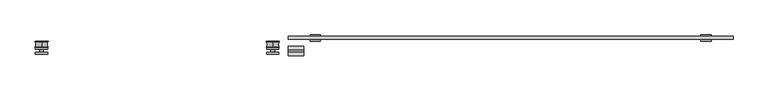
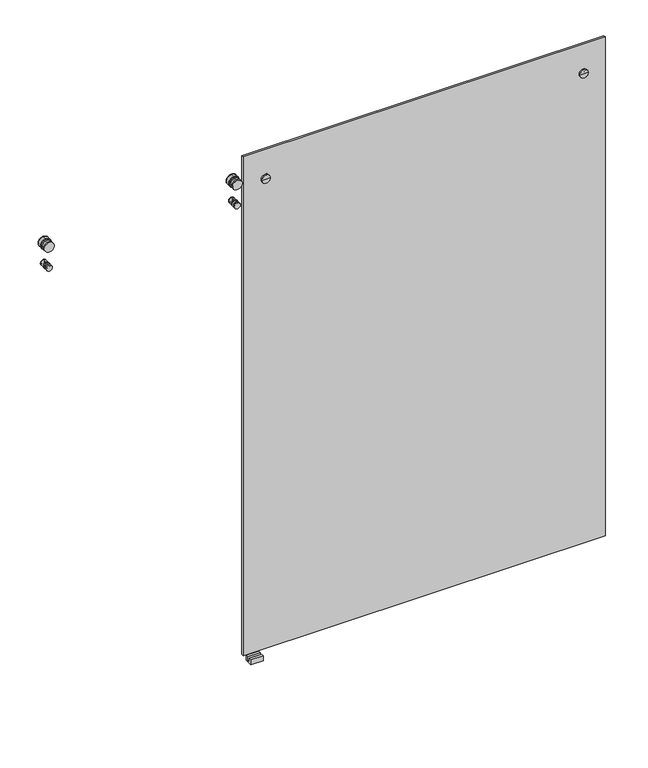
"""IFC4 building model written with IfcOpenShell, lengths in millimetres: proxy geometry."""

from ifc_helpers import new_model, si_unit, point, frame, frame_2d, origin, place, context, project, spatial, polyline, circle_curve, ellipse_curve, trimmed, segment, composite_curve, outline, extrude, source, transform, mapped, element, save
from ifc_brep_helpers import plane_surface, cylinder_surface, revolved_surface, advanced_brep


def specialty_equipment_89bef013(model_context):
    return source(origin(), model_context, "Body", "SolidModel", [
        extrude(outline(polyline([(-19.271, 0.0), (-19.271, 21.2725), (-8.4125, 21.2725), (-8.4125, 4.2672), (1.1125, 4.2672), (1.1125, 21.2725), (11.971, 21.2725), (11.971, 0.0), (-19.271, 0.0)])), frame((-274.6600782, 0.0, 0.0), z_axis=(1.0, 0.0, 0.0), x_axis=(0.0, 1.0, 0.0)), (0.0, 0.0, 1.0), 50.8225782),
        advanced_brep(
        [(-168.5925, 27.78125, 2011.5609375), (-185.7375, 27.78125, 2011.5609375), (-202.8825, 27.78125, 2011.5609375), (-185.7375, 48.7164062, 2011.5609375), (-168.5925, 48.7164062, 2011.5609375), (-202.8825, 48.7164062, 2011.5609375), (-168.5925, 43.65625, 2011.5609375), (-202.8825, 43.65625, 2011.5609375), (-179.3875, 43.65625, 2011.5609375), (-192.0875, 43.65625, 2011.5609375), (-179.3875, 34.13125, 2011.5609375), (-192.0875, 34.13125, 2011.5609375), (-168.5925, 34.13125, 2011.5609375), (-202.8825, 34.13125, 2011.5609375)],
        [
            (0, 1),
            (1, 2),
            (2, 0, circle_curve(frame((-185.7375, 27.78125, 2011.5609375), z_axis=(0.0, -1.0, 0.0), x_axis=(-1.0, 0.0, 0.0)), 17.145)),
            (0, 2, circle_curve(frame((-185.7375, 27.78125, 2011.5609375), z_axis=(0.0, -1.0, 0.0), x_axis=(-1.0, 0.0, 0.0)), 17.145)),
            (3, 4),
            (4, 5, circle_curve(frame((-185.7375, 48.7164062, 2011.5609375), z_axis=(0.0, 1.0, 0.0), x_axis=(-1.0, 0.0, 0.0)), 17.145)),
            (5, 3),
            (5, 4, circle_curve(frame((-185.7375, 48.7164062, 2011.5609375), z_axis=(0.0, 1.0, 0.0), x_axis=(-1.0, 0.0, 0.0)), 17.145)),
            (4, 6),
            (6, 7, circle_curve(frame((-185.7375, 43.65625, 2011.5609375), z_axis=(0.0, 1.0, 0.0), x_axis=(-1.0, 0.0, 0.0)), 17.145)),
            (7, 5),
            (7, 6, circle_curve(frame((-185.7375, 43.65625, 2011.5609375), z_axis=(0.0, 1.0, 0.0), x_axis=(-1.0, 0.0, 0.0)), 17.145)),
            (6, 8),
            (8, 9, circle_curve(frame((-185.7375, 43.65625, 2011.5609375), z_axis=(0.0, 1.0, 0.0), x_axis=(-1.0, 0.0, 0.0)), 6.35)),
            (9, 7),
            (9, 8, circle_curve(frame((-185.7375, 43.65625, 2011.5609375), z_axis=(0.0, 1.0, 0.0), x_axis=(-1.0, 0.0, 0.0)), 6.35)),
            (8, 10),
            (10, 11, circle_curve(frame((-185.7375, 34.13125, 2011.5609375), z_axis=(0.0, 1.0, 0.0), x_axis=(-1.0, 0.0, 0.0)), 6.35)),
            (11, 9),
            (11, 10, circle_curve(frame((-185.7375, 34.13125, 2011.5609375), z_axis=(0.0, 1.0, 0.0), x_axis=(-1.0, 0.0, 0.0)), 6.35)),
            (10, 12),
            (12, 13, circle_curve(frame((-185.7375, 34.13125, 2011.5609375), z_axis=(0.0, 1.0, 0.0), x_axis=(-1.0, 0.0, 0.0)), 17.145)),
            (13, 11),
            (13, 12, circle_curve(frame((-185.7375, 34.13125, 2011.5609375), z_axis=(0.0, 1.0, 0.0), x_axis=(-1.0, 0.0, 0.0)), 17.145)),
            (12, 0),
            (2, 13),
        ],
        [
            plane_surface(frame((-185.7375, 27.78125, 2011.5609375), z_axis=(0.0, -1.0, 0.0), x_axis=(-1.0, 0.0, 0.0))),
            plane_surface(frame((-185.7375, 48.7164062, 2011.5609375), z_axis=(0.0, 1.0, 0.0), x_axis=(-1.0, 0.0, 0.0))),
            cylinder_surface(frame((-185.7375, 27.78125, 2011.5609375), z_axis=(0.0, 1.0, 0.0), x_axis=(-1.0, 0.0, 0.0)), 17.145),
            plane_surface(frame((-185.7375, 43.65625, 2011.5609375), z_axis=(0.0, -1.0, 0.0), x_axis=(-1.0, 0.0, 0.0))),
            cylinder_surface(frame((-185.7375, 27.78125, 2011.5609375), z_axis=(0.0, 1.0, 0.0), x_axis=(-1.0, 0.0, 0.0)), 6.35),
            plane_surface(frame((-185.7375, 34.13125, 2011.5609375), z_axis=(0.0, 1.0, 0.0), x_axis=(-1.0, 0.0, 0.0))),
        ],
        [
            (0, [[1, 2, 3]]),
            (0, [[-2, -1, 4]]),
            (1, [[5, 6, 7]]),
            (1, [[-7, 8, -5]]),
            (2, [[9, 10, 11, -6]]),
            (2, [[-11, 12, -9, -8]]),
            (3, [[13, 14, 15, -10]]),
            (3, [[-15, 16, -13, -12]]),
            (4, [[17, 18, 19, -14]]),
            (4, [[-19, 20, -17, -16]]),
            (5, [[21, 22, 23, -18]]),
            (5, [[-23, 24, -21, -20]]),
            (2, [[25, -3, 26, -22]]),
            (2, [[-26, -4, -25, -24]]),
        ],
    ),
        advanced_brep(
        [(1114.1075, 27.78125, 2011.5609375), (1096.9625, 27.78125, 2011.5609375), (1079.8175, 27.78125, 2011.5609375), (1096.9625, 48.7164062, 2011.5609375), (1114.1075, 48.7164062, 2011.5609375), (1079.8175, 48.7164062, 2011.5609375), (1114.1075, 43.65625, 2011.5609375), (1079.8175, 43.65625, 2011.5609375), (1103.3125, 43.65625, 2011.5609375), (1090.6125, 43.65625, 2011.5609375), (1103.3125, 34.13125, 2011.5609375), (1090.6125, 34.13125, 2011.5609375), (1114.1075, 34.13125, 2011.5609375), (1079.8175, 34.13125, 2011.5609375)],
        [
            (0, 1),
            (1, 2),
            (2, 0, circle_curve(frame((1096.9625, 27.78125, 2011.5609375), z_axis=(0.0, -1.0, 0.0), x_axis=(-1.0, 0.0, 0.0)), 17.145)),
            (0, 2, circle_curve(frame((1096.9625, 27.78125, 2011.5609375), z_axis=(0.0, -1.0, 0.0), x_axis=(-1.0, 0.0, 0.0)), 17.145)),
            (3, 4),
            (4, 5, circle_curve(frame((1096.9625, 48.7164062, 2011.5609375), z_axis=(0.0, 1.0, 0.0), x_axis=(-1.0, 0.0, 0.0)), 17.145)),
            (5, 3),
            (5, 4, circle_curve(frame((1096.9625, 48.7164062, 2011.5609375), z_axis=(0.0, 1.0, 0.0), x_axis=(-1.0, 0.0, 0.0)), 17.145)),
            (4, 6),
            (6, 7, circle_curve(frame((1096.9625, 43.65625, 2011.5609375), z_axis=(0.0, 1.0, 0.0), x_axis=(-1.0, 0.0, 0.0)), 17.145)),
            (7, 5),
            (7, 6, circle_curve(frame((1096.9625, 43.65625, 2011.5609375), z_axis=(0.0, 1.0, 0.0), x_axis=(-1.0, 0.0, 0.0)), 17.145)),
            (6, 8),
            (8, 9, circle_curve(frame((1096.9625, 43.65625, 2011.5609375), z_axis=(0.0, 1.0, 0.0), x_axis=(-1.0, 0.0, 0.0)), 6.35)),
            (9, 7),
            (9, 8, circle_curve(frame((1096.9625, 43.65625, 2011.5609375), z_axis=(0.0, 1.0, 0.0), x_axis=(-1.0, 0.0, 0.0)), 6.35)),
            (8, 10),
            (10, 11, circle_curve(frame((1096.9625, 34.13125, 2011.5609375), z_axis=(0.0, 1.0, 0.0), x_axis=(-1.0, 0.0, 0.0)), 6.35)),
            (11, 9),
            (11, 10, circle_curve(frame((1096.9625, 34.13125, 2011.5609375), z_axis=(0.0, 1.0, 0.0), x_axis=(-1.0, 0.0, 0.0)), 6.35)),
            (10, 12),
            (12, 13, circle_curve(frame((1096.9625, 34.13125, 2011.5609375), z_axis=(0.0, 1.0, 0.0), x_axis=(-1.0, 0.0, 0.0)), 17.145)),
            (13, 11),
            (13, 12, circle_curve(frame((1096.9625, 34.13125, 2011.5609375), z_axis=(0.0, 1.0, 0.0), x_axis=(-1.0, 0.0, 0.0)), 17.145)),
            (12, 0),
            (2, 13),
        ],
        [
            plane_surface(frame((1096.9625, 27.78125, 2011.5609375), z_axis=(0.0, -1.0, 0.0), x_axis=(-1.0, 0.0, 0.0))),
            plane_surface(frame((1096.9625, 48.7164062, 2011.5609375), z_axis=(0.0, 1.0, 0.0), x_axis=(-1.0, 0.0, 0.0))),
            cylinder_surface(frame((1096.9625, 27.78125, 2011.5609375), z_axis=(0.0, 1.0, 0.0), x_axis=(-1.0, 0.0, 0.0)), 17.145),
            plane_surface(frame((1096.9625, 43.65625, 2011.5609375), z_axis=(0.0, -1.0, 0.0), x_axis=(-1.0, 0.0, 0.0))),
            cylinder_surface(frame((1096.9625, 27.78125, 2011.5609375), z_axis=(0.0, 1.0, 0.0), x_axis=(-1.0, 0.0, 0.0)), 6.35),
            plane_surface(frame((1096.9625, 34.13125, 2011.5609375), z_axis=(0.0, 1.0, 0.0), x_axis=(-1.0, 0.0, 0.0))),
        ],
        [
            (0, [[1, 2, 3]]),
            (0, [[-2, -1, 4]]),
            (1, [[5, 6, 7]]),
            (1, [[-7, 8, -5]]),
            (2, [[9, 10, 11, -6]]),
            (2, [[-11, 12, -9, -8]]),
            (3, [[13, 14, 15, -10]]),
            (3, [[-15, 16, -13, -12]]),
            (4, [[17, 18, 19, -14]]),
            (4, [[-19, 20, -17, -16]]),
            (5, [[21, 22, 23, -18]]),
            (5, [[-23, 24, -21, -20]]),
            (2, [[25, -3, 26, -22]]),
            (2, [[-26, -4, -25, -24]]),
        ],
    ),
        extrude(outline(polyline([(-274.6375, 43.65625), (1185.8625, 43.65625), (1185.8625, 34.13125), (-274.6375, 34.13125), (-274.6375, 43.65625)])), frame((0.0, 0.0, 6.35), z_axis=(0.0, 0.0, 1.0), x_axis=(1.0, 0.0, 0.0)), (0.0, 0.0, 1.0), 2127.25),
        advanced_brep(
        [(-1084.2625, 27.3366188, 1975.7082127), (-1084.2625, 27.3366188, 1973.4609375), (-1084.2625, 27.3366188, 1970.2859375), (-1084.2625, 27.3366188, 1968.0386623), (-1084.2625, 25.939082, 1984.1389114), (-1084.2625, 27.2993484, 1983.3089145), (-1084.2625, 27.2993484, 1960.4379605), (-1084.2625, 25.939082, 1959.6079636), (-1084.2625, 8.5711808, 1984.2064616), (-1084.2625, 8.5711808, 1959.5404134), (-1084.2625, 7.4625, 1973.4609375), (-1084.2625, 7.4625, 1984.2064616), (-1084.2625, 7.4625, 1959.5404134), (-1084.2625, 7.4625, 1970.2859375), (-1084.2625, 26.2619471, 1975.7082127), (-1084.2625, 26.2619471, 1968.0386623), (-1084.2625, 26.2619471, 1978.8596289), (-1084.2625, 26.2619471, 1964.8872461), (-1084.2625, 27.2993484, 1978.8596289), (-1084.2625, 27.2993484, 1964.8872461)],
        [
            (0, 1),
            (1, 2, circle_curve(frame((-1084.2625, 27.3366188, 1971.8734375), z_axis=(0.0, -1.0, 0.0), x_axis=(0.0, 0.0, -1.0)), 1.5875)),
            (2, 3),
            (3, 0, circle_curve(frame((-1084.2625, 27.3366188, 1971.8734375), z_axis=(0.0, 1.0, 0.0), x_axis=(0.0, 0.0, -1.0)), 3.8347752)),
            (2, 1, circle_curve(frame((-1084.2625, 27.3366188, 1971.8734375), z_axis=(0.0, -1.0, 0.0), x_axis=(0.0, 0.0, -1.0)), 1.5875)),
            (0, 3, circle_curve(frame((-1084.2625, 27.3366188, 1971.8734375), z_axis=(0.0, 1.0, 0.0), x_axis=(0.0, 0.0, -1.0)), 3.8347752)),
            (4, 5, circle_curve(frame((-1084.2625, 26.3659946, 1983.3089145), z_axis=(-1.0, 0.0, 0.0), x_axis=(0.0, -1.0, 0.0)), 0.9333538)),
            (5, 6, circle_curve(frame((-1084.2625, 27.2993484, 1971.8734375), z_axis=(0.0, -1.0, 0.0), x_axis=(0.0, 0.0, -1.0)), 11.435477)),
            (6, 7, circle_curve(frame((-1084.2625, 26.3659946, 1960.4379605), z_axis=(-1.0, 0.0, 0.0), x_axis=(0.0, -1.0, 0.0)), 0.9333538)),
            (7, 4, circle_curve(frame((-1084.2625, 25.939082, 1971.8734375), z_axis=(0.0, 1.0, 0.0), x_axis=(0.0, 0.0, -1.0)), 12.2654739)),
            (6, 5, circle_curve(frame((-1084.2625, 27.2993484, 1971.8734375), z_axis=(0.0, -1.0, 0.0), x_axis=(0.0, 0.0, -1.0)), 11.435477)),
            (4, 7, circle_curve(frame((-1084.2625, 25.939082, 1971.8734375), z_axis=(0.0, 1.0, 0.0), x_axis=(0.0, 0.0, -1.0)), 12.2654739)),
            (8, 4, circle_curve(frame((-1084.2625, 17.3563851, 2010.2061107), z_axis=(1.0, 0.0, 0.0), x_axis=(0.0, -1.0, 0.0)), 27.4437892)),
            (7, 9, circle_curve(frame((-1084.2625, 17.3563851, 1933.5407643), z_axis=(1.0, 0.0, 0.0), x_axis=(0.0, -1.0, 0.0)), 27.4437892)),
            (9, 8, circle_curve(frame((-1084.2625, 8.5711808, 1971.8734375), z_axis=(0.0, 1.0, 0.0), x_axis=(0.0, 0.0, -1.0)), 12.3330241)),
            (8, 9, circle_curve(frame((-1084.2625, 8.5711808, 1971.8734375), z_axis=(0.0, 1.0, 0.0), x_axis=(0.0, 0.0, -1.0)), 12.3330241)),
            (10, 11),
            (11, 12, circle_curve(frame((-1084.2625, 7.4625, 1971.8734375), z_axis=(0.0, -1.0, 0.0), x_axis=(0.0, 0.0, -1.0)), 12.3330241)),
            (12, 13),
            (13, 10, circle_curve(frame((-1084.2625, 7.4625, 1971.8734375), z_axis=(0.0, 1.0, 0.0), x_axis=(0.0, 0.0, -1.0)), 1.5875)),
            (12, 11, circle_curve(frame((-1084.2625, 7.4625, 1971.8734375), z_axis=(0.0, -1.0, 0.0), x_axis=(0.0, 0.0, -1.0)), 12.3330241)),
            (10, 13, circle_curve(frame((-1084.2625, 7.4625, 1971.8734375), z_axis=(0.0, 1.0, 0.0), x_axis=(0.0, 0.0, -1.0)), 1.5875)),
            (1, 10),
            (13, 2),
            (14, 0),
            (3, 15),
            (15, 14, circle_curve(frame((-1084.2625, 26.2619471, 1971.8734375), z_axis=(0.0, 1.0, 0.0), x_axis=(0.0, 0.0, -1.0)), 3.8347752)),
            (14, 15, circle_curve(frame((-1084.2625, 26.2619471, 1971.8734375), z_axis=(0.0, 1.0, 0.0), x_axis=(0.0, 0.0, -1.0)), 3.8347752)),
            (16, 14),
            (15, 17),
            (17, 16, circle_curve(frame((-1084.2625, 26.2619471, 1971.8734375), z_axis=(0.0, 1.0, 0.0), x_axis=(0.0, 0.0, -1.0)), 6.9861914)),
            (16, 17, circle_curve(frame((-1084.2625, 26.2619471, 1971.8734375), z_axis=(0.0, 1.0, 0.0), x_axis=(0.0, 0.0, -1.0)), 6.9861914)),
            (18, 16),
            (17, 19),
            (19, 18, circle_curve(frame((-1084.2625, 27.2993484, 1971.8734375), z_axis=(0.0, 1.0, 0.0), x_axis=(0.0, 0.0, -1.0)), 6.9861914)),
            (18, 19, circle_curve(frame((-1084.2625, 27.2993484, 1971.8734375), z_axis=(0.0, 1.0, 0.0), x_axis=(0.0, 0.0, -1.0)), 6.9861914)),
            (5, 18),
            (19, 6),
            (11, 8),
            (9, 12),
        ],
        [
            plane_surface(frame((-1084.2625, 27.3366188, 1971.8734375), z_axis=(0.0, 1.0, 0.0), x_axis=(0.0, 0.0, -1.0))),
            revolved_surface(trimmed(ellipse_curve(frame((-1084.2625, 26.3659946, 1960.4379605), z_axis=(-1.0, 0.0, 0.0), x_axis=(0.0, -1.0, 0.0)), 0.9333538, 0.9333538), [point((-1084.2625, 27.2993484, 1960.4379605))], [point((-1084.2625, 25.939082, 1959.6079636))], True, "CARTESIAN"), (-1084.2625, 48.4599359, 1971.8734375), (0.0, -1.0, 0.0)),
            revolved_surface(trimmed(ellipse_curve(frame((-1084.2625, 17.3563851, 1933.5407643), z_axis=(1.0, 0.0, 0.0), x_axis=(0.0, -1.0, 0.0)), 27.4437892, 27.4437892), [point((-1084.2625, 25.939082, 1959.6079636))], [point((-1084.2625, 8.5711808, 1959.5404134))], True, "CARTESIAN"), (-1084.2625, 48.4599359, 1971.8734375), (0.0, -1.0, 0.0)),
            plane_surface(frame((-1084.2625, 7.4625, 1971.8734375), z_axis=(0.0, -1.0, 0.0), x_axis=(0.0, 0.0, -1.0))),
            revolved_surface(polyline([(-1084.2625, 7.462499999999999, 1970.2859374999998), (-1084.2625, 27.3366188, 1970.2859374999998)]), (-1084.2625, 48.4599359, 1971.8734375), (0.0, -1.0, 0.0)),
            cylinder_surface(frame((-1084.2625, 48.4599359, 1971.8734375), z_axis=(0.0, -1.0, 0.0), x_axis=(0.0, 0.0, -1.0)), 3.8347752),
            plane_surface(frame((-1084.2625, 26.2619471, 1971.8734375), z_axis=(0.0, 1.0, 0.0), x_axis=(0.0, 0.0, -1.0))),
            revolved_surface(polyline([(-1084.2625, 26.2619471, 1964.8872460999999), (-1084.2625, 27.2993484, 1964.8872460999999)]), (-1084.2625, 48.4599359, 1971.8734375), (0.0, -1.0, 0.0)),
            plane_surface(frame((-1084.2625, 27.2993484, 1971.8734375), z_axis=(0.0, 1.0, 0.0), x_axis=(0.0, 0.0, -1.0))),
            cylinder_surface(frame((-1084.2625, 48.4599359, 1971.8734375), z_axis=(0.0, -1.0, 0.0), x_axis=(0.0, 0.0, -1.0)), 12.3330241),
        ],
        [
            (0, [[1, 2, 3, 4]]),
            (0, [[-3, 5, -1, 6]]),
            (1, [[7, 8, 9, 10]]),
            (1, [[-9, 11, -7, 12]]),
            (2, [[13, -10, 14, 15]]),
            (2, [[-14, -12, -13, 16]]),
            (3, [[17, 18, 19, 20]]),
            (3, [[-19, 21, -17, 22]]),
            (4, [[23, -20, 24, -2]]),
            (4, [[-24, -22, -23, -5]]),
            (5, [[25, -4, 26, 27]]),
            (5, [[-26, -6, -25, 28]]),
            (6, [[29, -27, 30, 31]]),
            (6, [[-30, -28, -29, 32]]),
            (7, [[33, -31, 34, 35]]),
            (7, [[-34, -32, -33, 36]]),
            (8, [[37, -35, 38, -8]]),
            (8, [[-38, -36, -37, -11]]),
            (9, [[39, -15, 40, -18]]),
            (9, [[-40, -16, -39, -21]]),
        ],
    ),
        advanced_brep(
        [(-1084.2625, 10.9715855, 2074.7365624), (-1084.2625, 7.4625, 2074.7365624), (-1084.2625, 7.4625, 2046.8103126), (-1084.2625, 10.9715855, 2046.8103126), (-1084.2625, 10.9715855, 2067.0068419), (-1084.2625, 10.9715855, 2054.5400331), (-1084.2625, 7.4625, 2067.0068419), (-1084.2625, 7.4625, 2054.5400331), (-1084.2625, 7.4625, 2062.3609375), (-1084.2625, 7.4625, 2059.1859375), (-1084.2625, 27.4625, 2067.0068419), (-1084.2625, 27.4625, 2062.3609375), (-1084.2625, 27.4625, 2059.1859375), (-1084.2625, 27.4625, 2054.5400331), (-1084.2625, 26.2619471, 2067.0068419), (-1084.2625, 26.2619471, 2054.5400331), (-1084.2625, 26.2619471, 2074.7365624), (-1084.2625, 26.2619471, 2046.8103126), (-1084.2625, 27.4625, 2074.7365624), (-1084.2625, 27.4625, 2046.8103126), (-1084.2625, 27.4625, 2081.7122212), (-1084.2625, 27.4625, 2039.8346538), (-1084.2625, 26.0771589, 2082.6587111), (-1084.2625, 26.0771589, 2038.8881639), (-1084.2625, 8.8478411, 2082.6587111), (-1084.2625, 8.8478411, 2038.8881639), (-1084.2625, 7.4625, 2081.7122212), (-1084.2625, 7.4625, 2039.8346538)],
        [
            (0, 1),
            (1, 2, circle_curve(frame((-1084.2625, 7.4625, 2060.7734375), z_axis=(0.0, -1.0, 0.0), x_axis=(0.0, 0.0, -1.0)), 13.9631249)),
            (2, 3),
            (3, 0, circle_curve(frame((-1084.2625, 10.9715855, 2060.7734375), z_axis=(0.0, 1.0, 0.0), x_axis=(0.0, 0.0, -1.0)), 13.9631249)),
            (2, 1, circle_curve(frame((-1084.2625, 7.4625, 2060.7734375), z_axis=(0.0, -1.0, 0.0), x_axis=(0.0, 0.0, -1.0)), 13.9631249)),
            (0, 3, circle_curve(frame((-1084.2625, 10.9715855, 2060.7734375), z_axis=(0.0, 1.0, 0.0), x_axis=(0.0, 0.0, -1.0)), 13.9631249)),
            (4, 0),
            (3, 5),
            (5, 4, circle_curve(frame((-1084.2625, 10.9715855, 2060.7734375), z_axis=(0.0, 1.0, 0.0), x_axis=(0.0, 0.0, -1.0)), 6.2334044)),
            (4, 5, circle_curve(frame((-1084.2625, 10.9715855, 2060.7734375), z_axis=(0.0, 1.0, 0.0), x_axis=(0.0, 0.0, -1.0)), 6.2334044)),
            (6, 4),
            (5, 7),
            (7, 6, circle_curve(frame((-1084.2625, 7.4625, 2060.7734375), z_axis=(0.0, 1.0, 0.0), x_axis=(0.0, 0.0, -1.0)), 6.2334044)),
            (6, 7, circle_curve(frame((-1084.2625, 7.4625, 2060.7734375), z_axis=(0.0, 1.0, 0.0), x_axis=(0.0, 0.0, -1.0)), 6.2334044)),
            (8, 6),
            (7, 9),
            (9, 8, circle_curve(frame((-1084.2625, 7.4625, 2060.7734375), z_axis=(0.0, 1.0, 0.0), x_axis=(0.0, 0.0, -1.0)), 1.5875)),
            (8, 9, circle_curve(frame((-1084.2625, 7.4625, 2060.7734375), z_axis=(0.0, 1.0, 0.0), x_axis=(0.0, 0.0, -1.0)), 1.5875)),
            (10, 11),
            (11, 12, circle_curve(frame((-1084.2625, 27.4625, 2060.7734375), z_axis=(0.0, -1.0, 0.0), x_axis=(0.0, 0.0, -1.0)), 1.5875)),
            (12, 13),
            (13, 10, circle_curve(frame((-1084.2625, 27.4625, 2060.7734375), z_axis=(0.0, 1.0, 0.0), x_axis=(0.0, 0.0, -1.0)), 6.2334044)),
            (12, 11, circle_curve(frame((-1084.2625, 27.4625, 2060.7734375), z_axis=(0.0, -1.0, 0.0), x_axis=(0.0, 0.0, -1.0)), 1.5875)),
            (10, 13, circle_curve(frame((-1084.2625, 27.4625, 2060.7734375), z_axis=(0.0, 1.0, 0.0), x_axis=(0.0, 0.0, -1.0)), 6.2334044)),
            (14, 10),
            (13, 15),
            (15, 14, circle_curve(frame((-1084.2625, 26.2619471, 2060.7734375), z_axis=(0.0, 1.0, 0.0), x_axis=(0.0, 0.0, -1.0)), 6.2334044)),
            (14, 15, circle_curve(frame((-1084.2625, 26.2619471, 2060.7734375), z_axis=(0.0, 1.0, 0.0), x_axis=(0.0, 0.0, -1.0)), 6.2334044)),
            (16, 14),
            (15, 17),
            (17, 16, circle_curve(frame((-1084.2625, 26.2619471, 2060.7734375), z_axis=(0.0, 1.0, 0.0), x_axis=(0.0, 0.0, -1.0)), 13.9631249)),
            (16, 17, circle_curve(frame((-1084.2625, 26.2619471, 2060.7734375), z_axis=(0.0, 1.0, 0.0), x_axis=(0.0, 0.0, -1.0)), 13.9631249)),
            (18, 16),
            (17, 19),
            (19, 18, circle_curve(frame((-1084.2625, 27.4625, 2060.7734375), z_axis=(0.0, 1.0, 0.0), x_axis=(0.0, 0.0, -1.0)), 13.9631249)),
            (18, 19, circle_curve(frame((-1084.2625, 27.4625, 2060.7734375), z_axis=(0.0, 1.0, 0.0), x_axis=(0.0, 0.0, -1.0)), 13.9631249)),
            (20, 18),
            (19, 21),
            (21, 20, circle_curve(frame((-1084.2625, 27.4625, 2060.7734375), z_axis=(0.0, 1.0, 0.0), x_axis=(0.0, 0.0, -1.0)), 20.9387837)),
            (20, 21, circle_curve(frame((-1084.2625, 27.4625, 2060.7734375), z_axis=(0.0, 1.0, 0.0), x_axis=(0.0, 0.0, -1.0)), 20.9387837)),
            (22, 20, circle_curve(frame((-1084.2625, 26.4465, 2081.7122212), z_axis=(-1.0, 0.0, 0.0), x_axis=(0.0, -1.0, 0.0)), 1.016)),
            (21, 23, circle_curve(frame((-1084.2625, 26.4465, 2039.8346538), z_axis=(-1.0, 0.0, 0.0), x_axis=(0.0, -1.0, 0.0)), 1.016)),
            (23, 22, circle_curve(frame((-1084.2625, 26.0771589, 2060.7734375), z_axis=(0.0, 1.0, 0.0), x_axis=(0.0, 0.0, -1.0)), 21.8852736)),
            (22, 23, circle_curve(frame((-1084.2625, 26.0771589, 2060.7734375), z_axis=(0.0, 1.0, 0.0), x_axis=(0.0, 0.0, -1.0)), 21.8852736)),
            (24, 22, circle_curve(frame((-1084.2625, 17.4625, 2092.0160527), z_axis=(1.0, 0.0, 0.0), x_axis=(0.0, -1.0, 0.0)), 12.7189697)),
            (23, 25, circle_curve(frame((-1084.2625, 17.4625, 2029.5308223), z_axis=(1.0, 0.0, 0.0), x_axis=(0.0, -1.0, 0.0)), 12.7189697)),
            (25, 24, circle_curve(frame((-1084.2625, 8.8478411, 2060.7734375), z_axis=(0.0, 1.0, 0.0), x_axis=(0.0, 0.0, -1.0)), 21.8852736)),
            (24, 25, circle_curve(frame((-1084.2625, 8.8478411, 2060.7734375), z_axis=(0.0, 1.0, 0.0), x_axis=(0.0, 0.0, -1.0)), 21.8852736)),
            (26, 24, circle_curve(frame((-1084.2625, 8.4785, 2081.7122212), z_axis=(-1.0, 0.0, 0.0), x_axis=(0.0, -1.0, 0.0)), 1.016)),
            (25, 27, circle_curve(frame((-1084.2625, 8.4785, 2039.8346538), z_axis=(-1.0, 0.0, 0.0), x_axis=(0.0, -1.0, 0.0)), 1.016)),
            (27, 26, circle_curve(frame((-1084.2625, 7.4625, 2060.7734375), z_axis=(0.0, 1.0, 0.0), x_axis=(0.0, 0.0, -1.0)), 20.9387837)),
            (26, 27, circle_curve(frame((-1084.2625, 7.4625, 2060.7734375), z_axis=(0.0, 1.0, 0.0), x_axis=(0.0, 0.0, -1.0)), 20.9387837)),
            (1, 26),
            (27, 2),
            (11, 8),
            (9, 12),
        ],
        [
            revolved_surface(polyline([(-1084.2625, 7.462499999999999, 2046.8103126), (-1084.2625, 10.971585499999996, 2046.8103126)]), (-1084.2625, 45.677517, 2060.7734375), (0.0, -1.0, 0.0)),
            plane_surface(frame((-1084.2625, 10.9715855, 2060.7734375), z_axis=(0.0, -1.0, 0.0), x_axis=(0.0, 0.0, -1.0))),
            cylinder_surface(frame((-1084.2625, 45.677517, 2060.7734375), z_axis=(0.0, -1.0, 0.0), x_axis=(0.0, 0.0, -1.0)), 6.2334044),
            plane_surface(frame((-1084.2625, 7.4625, 2060.7734375), z_axis=(0.0, -1.0, 0.0), x_axis=(0.0, 0.0, -1.0))),
            plane_surface(frame((-1084.2625, 27.4625, 2060.7734375), z_axis=(0.0, 1.0, 0.0), x_axis=(0.0, 0.0, -1.0))),
            plane_surface(frame((-1084.2625, 26.2619471, 2060.7734375), z_axis=(0.0, 1.0, 0.0), x_axis=(0.0, 0.0, -1.0))),
            revolved_surface(polyline([(-1084.2625, 26.2619471, 2046.8103126), (-1084.2625, 27.4625, 2046.8103126)]), (-1084.2625, 45.677517, 2060.7734375), (0.0, -1.0, 0.0)),
            revolved_surface(trimmed(ellipse_curve(frame((-1084.2625, 26.4465, 2039.8346538), z_axis=(-1.0, 0.0, 0.0), x_axis=(0.0, -1.0, 0.0)), 1.016, 1.016), [point((-1084.2625, 27.4625, 2039.8346538))], [point((-1084.2625, 26.0771589, 2038.8881639))], True, "CARTESIAN"), (-1084.2625, 45.677517, 2060.7734375), (0.0, -1.0, 0.0)),
            revolved_surface(trimmed(ellipse_curve(frame((-1084.2625, 17.4625, 2029.5308223), z_axis=(1.0, 0.0, 0.0), x_axis=(0.0, -1.0, 0.0)), 12.7189697, 12.7189697), [point((-1084.2625, 26.0771589, 2038.8881639))], [point((-1084.2625, 8.8478411, 2038.8881639))], True, "CARTESIAN"), (-1084.2625, 45.677517, 2060.7734375), (0.0, -1.0, 0.0)),
            revolved_surface(trimmed(ellipse_curve(frame((-1084.2625, 8.4785, 2039.8346538), z_axis=(-1.0, 0.0, 0.0), x_axis=(0.0, -1.0, 0.0)), 1.016, 1.016), [point((-1084.2625, 8.8478411, 2038.8881639))], [point((-1084.2625, 7.4625, 2039.8346538))], True, "CARTESIAN"), (-1084.2625, 45.677517, 2060.7734375), (0.0, -1.0, 0.0)),
            revolved_surface(polyline([(-1084.2625, 7.462499999999999, 2059.1859375), (-1084.2625, 27.4625, 2059.1859375)]), (-1084.2625, 45.677517, 2060.7734375), (0.0, -1.0, 0.0)),
        ],
        [
            (0, [[1, 2, 3, 4]]),
            (0, [[-3, 5, -1, 6]]),
            (1, [[7, -4, 8, 9]]),
            (1, [[-8, -6, -7, 10]]),
            (2, [[11, -9, 12, 13]]),
            (2, [[-12, -10, -11, 14]]),
            (3, [[15, -13, 16, 17]]),
            (3, [[-16, -14, -15, 18]]),
            (4, [[19, 20, 21, 22]]),
            (4, [[-21, 23, -19, 24]]),
            (2, [[25, -22, 26, 27]]),
            (2, [[-26, -24, -25, 28]]),
            (5, [[29, -27, 30, 31]]),
            (5, [[-30, -28, -29, 32]]),
            (6, [[33, -31, 34, 35]]),
            (6, [[-34, -32, -33, 36]]),
            (4, [[37, -35, 38, 39]]),
            (4, [[-38, -36, -37, 40]]),
            (7, [[41, -39, 42, 43]]),
            (7, [[-42, -40, -41, 44]]),
            (8, [[45, -43, 46, 47]]),
            (8, [[-46, -44, -45, 48]]),
            (9, [[49, -47, 50, 51]]),
            (9, [[-50, -48, -49, 52]]),
            (3, [[53, -51, 54, -2]]),
            (3, [[-54, -52, -53, -5]]),
            (10, [[55, -17, 56, -20]]),
            (10, [[-56, -18, -55, -23]]),
        ],
    ),
        extrude(outline(composite_curve([segment(trimmed(circle_curve(frame_2d((1971.8734375, -1084.2625)), 6.35), [point((1971.8734375, -1090.6125))], [point((1971.8734375, -1077.9125))], False, "CARTESIAN"), True, "CONTINUOUS"), segment(trimmed(circle_curve(frame_2d((1971.8734375, -1084.2625)), 6.35), [point((1971.8734375, -1077.9125))], [point((1971.8734375, -1090.6125))], False, "CARTESIAN"), True, "CONTINUOUS")], self_intersect=False)), frame((0.0, -8.4125, 0.0), z_axis=(0.0, 1.0, 0.0), x_axis=(0.0, 0.0, 1.0)), (0.0, 0.0, 1.0), 9.525),
        extrude(outline(composite_curve([segment(trimmed(circle_curve(frame_2d((2060.7734375, -1084.2625)), 6.35), [point((2060.7734375, -1090.6125))], [point((2060.7734375, -1077.9125))], False, "CARTESIAN"), True, "CONTINUOUS"), segment(trimmed(circle_curve(frame_2d((2060.7734375, -1084.2625)), 6.35), [point((2060.7734375, -1077.9125))], [point((2060.7734375, -1090.6125))], False, "CARTESIAN"), True, "CONTINUOUS")], self_intersect=False)), frame((0.0, -8.4125, 0.0), z_axis=(0.0, 1.0, 0.0), x_axis=(0.0, 0.0, 1.0)), (0.0, 0.0, 1.0), 9.525),
        extrude(outline(composite_curve([segment(trimmed(circle_curve(frame_2d((1971.8734375, -1084.2625)), 12.2900341), [point((1971.8734375, -1096.5525341))], [point((1971.8734375, -1071.9724659))], False, "CARTESIAN"), True, "CONTINUOUS"), segment(trimmed(circle_curve(frame_2d((1971.8734375, -1084.2625)), 12.2900341), [point((1971.8734375, -1071.9724659))], [point((1971.8734375, -1096.5525341))], False, "CARTESIAN"), True, "CONTINUOUS")], self_intersect=False)), frame((0.0, -14.191, 0.0), z_axis=(0.0, 1.0, 0.0), x_axis=(0.0, 0.0, 1.0)), (0.0, 0.0, 1.0), 5.7785),
        extrude(outline(composite_curve([segment(trimmed(circle_curve(frame_2d((2060.7734375, -1084.2625)), 19.939), [point((2060.7734375, -1104.2015))], [point((2060.7734375, -1064.3235))], False, "CARTESIAN"), True, "CONTINUOUS"), segment(trimmed(circle_curve(frame_2d((2060.7734375, -1084.2625)), 19.939), [point((2060.7734375, -1064.3235))], [point((2060.7734375, -1104.2015))], False, "CARTESIAN"), True, "CONTINUOUS")], self_intersect=False)), frame((0.0, -14.175, 0.0), z_axis=(0.0, 1.0, 0.0), x_axis=(0.0, 0.0, 1.0)), (0.0, 0.0, 1.0), 5.7625),
        extrude(outline(composite_curve([segment(trimmed(circle_curve(frame_2d((2060.7734375, -1084.2625)), 19.939), [point((2060.7734375, -1104.2015))], [point((2060.7734375, -1064.3235))], False, "CARTESIAN"), True, "CONTINUOUS"), segment(trimmed(circle_curve(frame_2d((2060.7734375, -1084.2625)), 19.939), [point((2060.7734375, -1064.3235))], [point((2060.7734375, -1104.2015))], False, "CARTESIAN"), True, "CONTINUOUS")], self_intersect=False)), frame((0.0, 1.1125, 0.0), z_axis=(0.0, 1.0, 0.0), x_axis=(0.0, 0.0, 1.0)), (0.0, 0.0, 1.0), 6.35),
        extrude(outline(composite_curve([segment(trimmed(circle_curve(frame_2d((1971.8734375, -1084.2625)), 12.3344302), [point((1971.8734375, -1096.5969302))], [point((1971.8734375, -1071.9280698))], False, "CARTESIAN"), True, "CONTINUOUS"), segment(trimmed(circle_curve(frame_2d((1971.8734375, -1084.2625)), 12.3344302), [point((1971.8734375, -1071.9280698))], [point((1971.8734375, -1096.5969302))], False, "CARTESIAN"), True, "CONTINUOUS")], self_intersect=False)), frame((0.0, 1.1125, 0.0), z_axis=(0.0, 1.0, 0.0), x_axis=(0.0, 0.0, 1.0)), (0.0, 0.0, 1.0), 6.35),
        advanced_brep(
        [(-325.4375, 27.3366188, 1975.7082127), (-325.4375, 27.3366188, 1973.4609375), (-325.4375, 27.3366188, 1970.2859375), (-325.4375, 27.3366188, 1968.0386623), (-325.4375, 25.939082, 1984.1389114), (-325.4375, 27.2993484, 1983.3089145), (-325.4375, 27.2993484, 1960.4379605), (-325.4375, 25.939082, 1959.6079636), (-325.4375, 8.5711808, 1984.2064616), (-325.4375, 8.5711808, 1959.5404134), (-325.4375, 7.4625, 1973.4609375), (-325.4375, 7.4625, 1984.2064616), (-325.4375, 7.4625, 1959.5404134), (-325.4375, 7.4625, 1970.2859375), (-325.4375, 26.2619471, 1975.7082127), (-325.4375, 26.2619471, 1968.0386623), (-325.4375, 26.2619471, 1978.8596289), (-325.4375, 26.2619471, 1964.8872461), (-325.4375, 27.2993484, 1978.8596289), (-325.4375, 27.2993484, 1964.8872461)],
        [
            (0, 1),
            (1, 2, circle_curve(frame((-325.4375, 27.3366188, 1971.8734375), z_axis=(0.0, -1.0, 0.0), x_axis=(0.0, 0.0, -1.0)), 1.5875)),
            (2, 3),
            (3, 0, circle_curve(frame((-325.4375, 27.3366188, 1971.8734375), z_axis=(0.0, 1.0, 0.0), x_axis=(0.0, 0.0, -1.0)), 3.8347752)),
            (2, 1, circle_curve(frame((-325.4375, 27.3366188, 1971.8734375), z_axis=(0.0, -1.0, 0.0), x_axis=(0.0, 0.0, -1.0)), 1.5875)),
            (0, 3, circle_curve(frame((-325.4375, 27.3366188, 1971.8734375), z_axis=(0.0, 1.0, 0.0), x_axis=(0.0, 0.0, -1.0)), 3.8347752)),
            (4, 5, circle_curve(frame((-325.4375, 26.3659946, 1983.3089145), z_axis=(-1.0, 0.0, 0.0), x_axis=(0.0, -1.0, 0.0)), 0.9333538)),
            (5, 6, circle_curve(frame((-325.4375, 27.2993484, 1971.8734375), z_axis=(0.0, -1.0, 0.0), x_axis=(0.0, 0.0, -1.0)), 11.435477)),
            (6, 7, circle_curve(frame((-325.4375, 26.3659946, 1960.4379605), z_axis=(-1.0, 0.0, 0.0), x_axis=(0.0, -1.0, 0.0)), 0.9333538)),
            (7, 4, circle_curve(frame((-325.4375, 25.939082, 1971.8734375), z_axis=(0.0, 1.0, 0.0), x_axis=(0.0, 0.0, -1.0)), 12.2654739)),
            (6, 5, circle_curve(frame((-325.4375, 27.2993484, 1971.8734375), z_axis=(0.0, -1.0, 0.0), x_axis=(0.0, 0.0, -1.0)), 11.435477)),
            (4, 7, circle_curve(frame((-325.4375, 25.939082, 1971.8734375), z_axis=(0.0, 1.0, 0.0), x_axis=(0.0, 0.0, -1.0)), 12.2654739)),
            (8, 4, circle_curve(frame((-325.4375, 17.3563851, 2010.2061107), z_axis=(1.0, 0.0, 0.0), x_axis=(0.0, -1.0, 0.0)), 27.4437892)),
            (7, 9, circle_curve(frame((-325.4375, 17.3563851, 1933.5407643), z_axis=(1.0, 0.0, 0.0), x_axis=(0.0, -1.0, 0.0)), 27.4437892)),
            (9, 8, circle_curve(frame((-325.4375, 8.5711808, 1971.8734375), z_axis=(0.0, 1.0, 0.0), x_axis=(0.0, 0.0, -1.0)), 12.3330241)),
            (8, 9, circle_curve(frame((-325.4375, 8.5711808, 1971.8734375), z_axis=(0.0, 1.0, 0.0), x_axis=(0.0, 0.0, -1.0)), 12.3330241)),
            (10, 11),
            (11, 12, circle_curve(frame((-325.4375, 7.4625, 1971.8734375), z_axis=(0.0, -1.0, 0.0), x_axis=(0.0, 0.0, -1.0)), 12.3330241)),
            (12, 13),
            (13, 10, circle_curve(frame((-325.4375, 7.4625, 1971.8734375), z_axis=(0.0, 1.0, 0.0), x_axis=(0.0, 0.0, -1.0)), 1.5875)),
            (12, 11, circle_curve(frame((-325.4375, 7.4625, 1971.8734375), z_axis=(0.0, -1.0, 0.0), x_axis=(0.0, 0.0, -1.0)), 12.3330241)),
            (10, 13, circle_curve(frame((-325.4375, 7.4625, 1971.8734375), z_axis=(0.0, 1.0, 0.0), x_axis=(0.0, 0.0, -1.0)), 1.5875)),
            (1, 10),
            (13, 2),
            (14, 0),
            (3, 15),
            (15, 14, circle_curve(frame((-325.4375, 26.2619471, 1971.8734375), z_axis=(0.0, 1.0, 0.0), x_axis=(0.0, 0.0, -1.0)), 3.8347752)),
            (14, 15, circle_curve(frame((-325.4375, 26.2619471, 1971.8734375), z_axis=(0.0, 1.0, 0.0), x_axis=(0.0, 0.0, -1.0)), 3.8347752)),
            (16, 14),
            (15, 17),
            (17, 16, circle_curve(frame((-325.4375, 26.2619471, 1971.8734375), z_axis=(0.0, 1.0, 0.0), x_axis=(0.0, 0.0, -1.0)), 6.9861914)),
            (16, 17, circle_curve(frame((-325.4375, 26.2619471, 1971.8734375), z_axis=(0.0, 1.0, 0.0), x_axis=(0.0, 0.0, -1.0)), 6.9861914)),
            (18, 16),
            (17, 19),
            (19, 18, circle_curve(frame((-325.4375, 27.2993484, 1971.8734375), z_axis=(0.0, 1.0, 0.0), x_axis=(0.0, 0.0, -1.0)), 6.9861914)),
            (18, 19, circle_curve(frame((-325.4375, 27.2993484, 1971.8734375), z_axis=(0.0, 1.0, 0.0), x_axis=(0.0, 0.0, -1.0)), 6.9861914)),
            (5, 18),
            (19, 6),
            (11, 8),
            (9, 12),
        ],
        [
            plane_surface(frame((-325.4375, 27.3366188, 1971.8734375), z_axis=(0.0, 1.0, 0.0), x_axis=(0.0, 0.0, -1.0))),
            revolved_surface(trimmed(ellipse_curve(frame((-325.4375, 26.3659946, 1960.4379605), z_axis=(-1.0, 0.0, 0.0), x_axis=(0.0, -1.0, 0.0)), 0.9333538, 0.9333538), [point((-325.4375, 27.2993484, 1960.4379605))], [point((-325.4375, 25.939082, 1959.6079636))], True, "CARTESIAN"), (-325.4375, 48.4599359, 1971.8734375), (0.0, -1.0, 0.0)),
            revolved_surface(trimmed(ellipse_curve(frame((-325.4375, 17.3563851, 1933.5407643), z_axis=(1.0, 0.0, 0.0), x_axis=(0.0, -1.0, 0.0)), 27.4437892, 27.4437892), [point((-325.4375, 25.939082, 1959.6079636))], [point((-325.4375, 8.5711808, 1959.5404134))], True, "CARTESIAN"), (-325.4375, 48.4599359, 1971.8734375), (0.0, -1.0, 0.0)),
            plane_surface(frame((-325.4375, 7.4625, 1971.8734375), z_axis=(0.0, -1.0, 0.0), x_axis=(0.0, 0.0, -1.0))),
            revolved_surface(polyline([(-325.4375, 7.462499999999999, 1970.2859374999998), (-325.4375, 27.3366188, 1970.2859374999998)]), (-325.4375, 48.4599359, 1971.8734375), (0.0, -1.0, 0.0)),
            cylinder_surface(frame((-325.4375, 48.4599359, 1971.8734375), z_axis=(0.0, -1.0, 0.0), x_axis=(0.0, 0.0, -1.0)), 3.8347752),
            plane_surface(frame((-325.4375, 26.2619471, 1971.8734375), z_axis=(0.0, 1.0, 0.0), x_axis=(0.0, 0.0, -1.0))),
            revolved_surface(polyline([(-325.4375, 26.2619471, 1964.8872460999999), (-325.4375, 27.2993484, 1964.8872460999999)]), (-325.4375, 48.4599359, 1971.8734375), (0.0, -1.0, 0.0)),
            plane_surface(frame((-325.4375, 27.2993484, 1971.8734375), z_axis=(0.0, 1.0, 0.0), x_axis=(0.0, 0.0, -1.0))),
            cylinder_surface(frame((-325.4375, 48.4599359, 1971.8734375), z_axis=(0.0, -1.0, 0.0), x_axis=(0.0, 0.0, -1.0)), 12.3330241),
        ],
        [
            (0, [[1, 2, 3, 4]]),
            (0, [[-3, 5, -1, 6]]),
            (1, [[7, 8, 9, 10]]),
            (1, [[-9, 11, -7, 12]]),
            (2, [[13, -10, 14, 15]]),
            (2, [[-14, -12, -13, 16]]),
            (3, [[17, 18, 19, 20]]),
            (3, [[-19, 21, -17, 22]]),
            (4, [[23, -20, 24, -2]]),
            (4, [[-24, -22, -23, -5]]),
            (5, [[25, -4, 26, 27]]),
            (5, [[-26, -6, -25, 28]]),
            (6, [[29, -27, 30, 31]]),
            (6, [[-30, -28, -29, 32]]),
            (7, [[33, -31, 34, 35]]),
            (7, [[-34, -32, -33, 36]]),
            (8, [[37, -35, 38, -8]]),
            (8, [[-38, -36, -37, -11]]),
            (9, [[39, -15, 40, -18]]),
            (9, [[-40, -16, -39, -21]]),
        ],
    ),
        advanced_brep(
        [(-325.4375, 10.9715855, 2074.7365624), (-325.4375, 7.4625, 2074.7365624), (-325.4375, 7.4625, 2046.8103126), (-325.4375, 10.9715855, 2046.8103126), (-325.4375, 10.9715855, 2067.0068419), (-325.4375, 10.9715855, 2054.5400331), (-325.4375, 7.4625, 2067.0068419), (-325.4375, 7.4625, 2054.5400331), (-325.4375, 7.4625, 2062.3609375), (-325.4375, 7.4625, 2059.1859375), (-325.4375, 27.4625, 2067.0068419), (-325.4375, 27.4625, 2062.3609375), (-325.4375, 27.4625, 2059.1859375), (-325.4375, 27.4625, 2054.5400331), (-325.4375, 26.2619471, 2067.0068419), (-325.4375, 26.2619471, 2054.5400331), (-325.4375, 26.2619471, 2074.7365624), (-325.4375, 26.2619471, 2046.8103126), (-325.4375, 27.4625, 2074.7365624), (-325.4375, 27.4625, 2046.8103126), (-325.4375, 27.4625, 2081.7122212), (-325.4375, 27.4625, 2039.8346538), (-325.4375, 26.0771589, 2082.6587111), (-325.4375, 26.0771589, 2038.8881639), (-325.4375, 8.8478411, 2082.6587111), (-325.4375, 8.8478411, 2038.8881639), (-325.4375, 7.4625, 2081.7122212), (-325.4375, 7.4625, 2039.8346538)],
        [
            (0, 1),
            (1, 2, circle_curve(frame((-325.4375, 7.4625, 2060.7734375), z_axis=(0.0, -1.0, 0.0), x_axis=(0.0, 0.0, -1.0)), 13.9631249)),
            (2, 3),
            (3, 0, circle_curve(frame((-325.4375, 10.9715855, 2060.7734375), z_axis=(0.0, 1.0, 0.0), x_axis=(0.0, 0.0, -1.0)), 13.9631249)),
            (2, 1, circle_curve(frame((-325.4375, 7.4625, 2060.7734375), z_axis=(0.0, -1.0, 0.0), x_axis=(0.0, 0.0, -1.0)), 13.9631249)),
            (0, 3, circle_curve(frame((-325.4375, 10.9715855, 2060.7734375), z_axis=(0.0, 1.0, 0.0), x_axis=(0.0, 0.0, -1.0)), 13.9631249)),
            (4, 0),
            (3, 5),
            (5, 4, circle_curve(frame((-325.4375, 10.9715855, 2060.7734375), z_axis=(0.0, 1.0, 0.0), x_axis=(0.0, 0.0, -1.0)), 6.2334044)),
            (4, 5, circle_curve(frame((-325.4375, 10.9715855, 2060.7734375), z_axis=(0.0, 1.0, 0.0), x_axis=(0.0, 0.0, -1.0)), 6.2334044)),
            (6, 4),
            (5, 7),
            (7, 6, circle_curve(frame((-325.4375, 7.4625, 2060.7734375), z_axis=(0.0, 1.0, 0.0), x_axis=(0.0, 0.0, -1.0)), 6.2334044)),
            (6, 7, circle_curve(frame((-325.4375, 7.4625, 2060.7734375), z_axis=(0.0, 1.0, 0.0), x_axis=(0.0, 0.0, -1.0)), 6.2334044)),
            (8, 6),
            (7, 9),
            (9, 8, circle_curve(frame((-325.4375, 7.4625, 2060.7734375), z_axis=(0.0, 1.0, 0.0), x_axis=(0.0, 0.0, -1.0)), 1.5875)),
            (8, 9, circle_curve(frame((-325.4375, 7.4625, 2060.7734375), z_axis=(0.0, 1.0, 0.0), x_axis=(0.0, 0.0, -1.0)), 1.5875)),
            (10, 11),
            (11, 12, circle_curve(frame((-325.4375, 27.4625, 2060.7734375), z_axis=(0.0, -1.0, 0.0), x_axis=(0.0, 0.0, -1.0)), 1.5875)),
            (12, 13),
            (13, 10, circle_curve(frame((-325.4375, 27.4625, 2060.7734375), z_axis=(0.0, 1.0, 0.0), x_axis=(0.0, 0.0, -1.0)), 6.2334044)),
            (12, 11, circle_curve(frame((-325.4375, 27.4625, 2060.7734375), z_axis=(0.0, -1.0, 0.0), x_axis=(0.0, 0.0, -1.0)), 1.5875)),
            (10, 13, circle_curve(frame((-325.4375, 27.4625, 2060.7734375), z_axis=(0.0, 1.0, 0.0), x_axis=(0.0, 0.0, -1.0)), 6.2334044)),
            (14, 10),
            (13, 15),
            (15, 14, circle_curve(frame((-325.4375, 26.2619471, 2060.7734375), z_axis=(0.0, 1.0, 0.0), x_axis=(0.0, 0.0, -1.0)), 6.2334044)),
            (14, 15, circle_curve(frame((-325.4375, 26.2619471, 2060.7734375), z_axis=(0.0, 1.0, 0.0), x_axis=(0.0, 0.0, -1.0)), 6.2334044)),
            (16, 14),
            (15, 17),
            (17, 16, circle_curve(frame((-325.4375, 26.2619471, 2060.7734375), z_axis=(0.0, 1.0, 0.0), x_axis=(0.0, 0.0, -1.0)), 13.9631249)),
            (16, 17, circle_curve(frame((-325.4375, 26.2619471, 2060.7734375), z_axis=(0.0, 1.0, 0.0), x_axis=(0.0, 0.0, -1.0)), 13.9631249)),
            (18, 16),
            (17, 19),
            (19, 18, circle_curve(frame((-325.4375, 27.4625, 2060.7734375), z_axis=(0.0, 1.0, 0.0), x_axis=(0.0, 0.0, -1.0)), 13.9631249)),
            (18, 19, circle_curve(frame((-325.4375, 27.4625, 2060.7734375), z_axis=(0.0, 1.0, 0.0), x_axis=(0.0, 0.0, -1.0)), 13.9631249)),
            (20, 18),
            (19, 21),
            (21, 20, circle_curve(frame((-325.4375, 27.4625, 2060.7734375), z_axis=(0.0, 1.0, 0.0), x_axis=(0.0, 0.0, -1.0)), 20.9387837)),
            (20, 21, circle_curve(frame((-325.4375, 27.4625, 2060.7734375), z_axis=(0.0, 1.0, 0.0), x_axis=(0.0, 0.0, -1.0)), 20.9387837)),
            (22, 20, circle_curve(frame((-325.4375, 26.4465, 2081.7122212), z_axis=(-1.0, 0.0, 0.0), x_axis=(0.0, -1.0, 0.0)), 1.016)),
            (21, 23, circle_curve(frame((-325.4375, 26.4465, 2039.8346538), z_axis=(-1.0, 0.0, 0.0), x_axis=(0.0, -1.0, 0.0)), 1.016)),
            (23, 22, circle_curve(frame((-325.4375, 26.0771589, 2060.7734375), z_axis=(0.0, 1.0, 0.0), x_axis=(0.0, 0.0, -1.0)), 21.8852736)),
            (22, 23, circle_curve(frame((-325.4375, 26.0771589, 2060.7734375), z_axis=(0.0, 1.0, 0.0), x_axis=(0.0, 0.0, -1.0)), 21.8852736)),
            (24, 22, circle_curve(frame((-325.4375, 17.4625, 2092.0160527), z_axis=(1.0, 0.0, 0.0), x_axis=(0.0, -1.0, 0.0)), 12.7189697)),
            (23, 25, circle_curve(frame((-325.4375, 17.4625, 2029.5308223), z_axis=(1.0, 0.0, 0.0), x_axis=(0.0, -1.0, 0.0)), 12.7189697)),
            (25, 24, circle_curve(frame((-325.4375, 8.8478411, 2060.7734375), z_axis=(0.0, 1.0, 0.0), x_axis=(0.0, 0.0, -1.0)), 21.8852736)),
            (24, 25, circle_curve(frame((-325.4375, 8.8478411, 2060.7734375), z_axis=(0.0, 1.0, 0.0), x_axis=(0.0, 0.0, -1.0)), 21.8852736)),
            (26, 24, circle_curve(frame((-325.4375, 8.4785, 2081.7122212), z_axis=(-1.0, 0.0, 0.0), x_axis=(0.0, -1.0, 0.0)), 1.016)),
            (25, 27, circle_curve(frame((-325.4375, 8.4785, 2039.8346538), z_axis=(-1.0, 0.0, 0.0), x_axis=(0.0, -1.0, 0.0)), 1.016)),
            (27, 26, circle_curve(frame((-325.4375, 7.4625, 2060.7734375), z_axis=(0.0, 1.0, 0.0), x_axis=(0.0, 0.0, -1.0)), 20.9387837)),
            (26, 27, circle_curve(frame((-325.4375, 7.4625, 2060.7734375), z_axis=(0.0, 1.0, 0.0), x_axis=(0.0, 0.0, -1.0)), 20.9387837)),
            (1, 26),
            (27, 2),
            (11, 8),
            (9, 12),
        ],
        [
            revolved_surface(polyline([(-325.4375, 7.462499999999999, 2046.8103126), (-325.4375, 10.971585499999996, 2046.8103126)]), (-325.4375, 45.677517, 2060.7734375), (0.0, -1.0, 0.0)),
            plane_surface(frame((-325.4375, 10.9715855, 2060.7734375), z_axis=(0.0, -1.0, 0.0), x_axis=(0.0, 0.0, -1.0))),
            cylinder_surface(frame((-325.4375, 45.677517, 2060.7734375), z_axis=(0.0, -1.0, 0.0), x_axis=(0.0, 0.0, -1.0)), 6.2334044),
            plane_surface(frame((-325.4375, 7.4625, 2060.7734375), z_axis=(0.0, -1.0, 0.0), x_axis=(0.0, 0.0, -1.0))),
            plane_surface(frame((-325.4375, 27.4625, 2060.7734375), z_axis=(0.0, 1.0, 0.0), x_axis=(0.0, 0.0, -1.0))),
            plane_surface(frame((-325.4375, 26.2619471, 2060.7734375), z_axis=(0.0, 1.0, 0.0), x_axis=(0.0, 0.0, -1.0))),
            revolved_surface(polyline([(-325.4375, 26.2619471, 2046.8103126), (-325.4375, 27.4625, 2046.8103126)]), (-325.4375, 45.677517, 2060.7734375), (0.0, -1.0, 0.0)),
            revolved_surface(trimmed(ellipse_curve(frame((-325.4375, 26.4465, 2039.8346538), z_axis=(-1.0, 0.0, 0.0), x_axis=(0.0, -1.0, 0.0)), 1.016, 1.016), [point((-325.4375, 27.4625, 2039.8346538))], [point((-325.4375, 26.0771589, 2038.8881639))], True, "CARTESIAN"), (-325.4375, 45.677517, 2060.7734375), (0.0, -1.0, 0.0)),
            revolved_surface(trimmed(ellipse_curve(frame((-325.4375, 17.4625, 2029.5308223), z_axis=(1.0, 0.0, 0.0), x_axis=(0.0, -1.0, 0.0)), 12.7189697, 12.7189697), [point((-325.4375, 26.0771589, 2038.8881639))], [point((-325.4375, 8.8478411, 2038.8881639))], True, "CARTESIAN"), (-325.4375, 45.677517, 2060.7734375), (0.0, -1.0, 0.0)),
            revolved_surface(trimmed(ellipse_curve(frame((-325.4375, 8.4785, 2039.8346538), z_axis=(-1.0, 0.0, 0.0), x_axis=(0.0, -1.0, 0.0)), 1.016, 1.016), [point((-325.4375, 8.8478411, 2038.8881639))], [point((-325.4375, 7.4625, 2039.8346538))], True, "CARTESIAN"), (-325.4375, 45.677517, 2060.7734375), (0.0, -1.0, 0.0)),
            revolved_surface(polyline([(-325.4375, 7.462499999999999, 2059.1859375), (-325.4375, 27.4625, 2059.1859375)]), (-325.4375, 45.677517, 2060.7734375), (0.0, -1.0, 0.0)),
        ],
        [
            (0, [[1, 2, 3, 4]]),
            (0, [[-3, 5, -1, 6]]),
            (1, [[7, -4, 8, 9]]),
            (1, [[-8, -6, -7, 10]]),
            (2, [[11, -9, 12, 13]]),
            (2, [[-12, -10, -11, 14]]),
            (3, [[15, -13, 16, 17]]),
            (3, [[-16, -14, -15, 18]]),
            (4, [[19, 20, 21, 22]]),
            (4, [[-21, 23, -19, 24]]),
            (2, [[25, -22, 26, 27]]),
            (2, [[-26, -24, -25, 28]]),
            (5, [[29, -27, 30, 31]]),
            (5, [[-30, -28, -29, 32]]),
            (6, [[33, -31, 34, 35]]),
            (6, [[-34, -32, -33, 36]]),
            (4, [[37, -35, 38, 39]]),
            (4, [[-38, -36, -37, 40]]),
            (7, [[41, -39, 42, 43]]),
            (7, [[-42, -40, -41, 44]]),
            (8, [[45, -43, 46, 47]]),
            (8, [[-46, -44, -45, 48]]),
            (9, [[49, -47, 50, 51]]),
            (9, [[-50, -48, -49, 52]]),
            (3, [[53, -51, 54, -2]]),
            (3, [[-54, -52, -53, -5]]),
            (10, [[55, -17, 56, -20]]),
            (10, [[-56, -18, -55, -23]]),
        ],
    ),
        extrude(outline(composite_curve([segment(trimmed(circle_curve(frame_2d((1971.8734375, -325.4375)), 6.35), [point((1971.8734375, -331.7875))], [point((1971.8734375, -319.0875))], False, "CARTESIAN"), True, "CONTINUOUS"), segment(trimmed(circle_curve(frame_2d((1971.8734375, -325.4375)), 6.35), [point((1971.8734375, -319.0875))], [point((1971.8734375, -331.7875))], False, "CARTESIAN"), True, "CONTINUOUS")], self_intersect=False)), frame((0.0, -8.4125, 0.0), z_axis=(0.0, 1.0, 0.0), x_axis=(0.0, 0.0, 1.0)), (0.0, 0.0, 1.0), 9.525),
        extrude(outline(composite_curve([segment(trimmed(circle_curve(frame_2d((2060.7734375, -325.4375)), 6.35), [point((2060.7734375, -331.7875))], [point((2060.7734375, -319.0875))], False, "CARTESIAN"), True, "CONTINUOUS"), segment(trimmed(circle_curve(frame_2d((2060.7734375, -325.4375)), 6.35), [point((2060.7734375, -319.0875))], [point((2060.7734375, -331.7875))], False, "CARTESIAN"), True, "CONTINUOUS")], self_intersect=False)), frame((0.0, -8.4125, 0.0), z_axis=(0.0, 1.0, 0.0), x_axis=(0.0, 0.0, 1.0)), (0.0, 0.0, 1.0), 9.525),
        extrude(outline(composite_curve([segment(trimmed(circle_curve(frame_2d((1971.8734375, -325.4375)), 12.2900341), [point((1971.8734375, -337.7275341))], [point((1971.8734375, -313.1474659))], False, "CARTESIAN"), True, "CONTINUOUS"), segment(trimmed(circle_curve(frame_2d((1971.8734375, -325.4375)), 12.2900341), [point((1971.8734375, -313.1474659))], [point((1971.8734375, -337.7275341))], False, "CARTESIAN"), True, "CONTINUOUS")], self_intersect=False)), frame((0.0, -14.191, 0.0), z_axis=(0.0, 1.0, 0.0), x_axis=(0.0, 0.0, 1.0)), (0.0, 0.0, 1.0), 5.7785),
        extrude(outline(composite_curve([segment(trimmed(circle_curve(frame_2d((2060.7734375, -325.4375)), 19.939), [point((2060.7734375, -345.3765))], [point((2060.7734375, -305.4985))], False, "CARTESIAN"), True, "CONTINUOUS"), segment(trimmed(circle_curve(frame_2d((2060.7734375, -325.4375)), 19.939), [point((2060.7734375, -305.4985))], [point((2060.7734375, -345.3765))], False, "CARTESIAN"), True, "CONTINUOUS")], self_intersect=False)), frame((0.0, -14.175, 0.0), z_axis=(0.0, 1.0, 0.0), x_axis=(0.0, 0.0, 1.0)), (0.0, 0.0, 1.0), 5.7625),
        extrude(outline(composite_curve([segment(trimmed(circle_curve(frame_2d((2060.7734375, -325.4375)), 19.939), [point((2060.7734375, -345.3765))], [point((2060.7734375, -305.4985))], False, "CARTESIAN"), True, "CONTINUOUS"), segment(trimmed(circle_curve(frame_2d((2060.7734375, -325.4375)), 19.939), [point((2060.7734375, -305.4985))], [point((2060.7734375, -345.3765))], False, "CARTESIAN"), True, "CONTINUOUS")], self_intersect=False)), frame((0.0, 1.1125, 0.0), z_axis=(0.0, 1.0, 0.0), x_axis=(0.0, 0.0, 1.0)), (0.0, 0.0, 1.0), 6.35),
        extrude(outline(composite_curve([segment(trimmed(circle_curve(frame_2d((1971.8734375, -325.4375)), 12.3344302), [point((1971.8734375, -337.7719302))], [point((1971.8734375, -313.1030698))], False, "CARTESIAN"), True, "CONTINUOUS"), segment(trimmed(circle_curve(frame_2d((1971.8734375, -325.4375)), 12.3344302), [point((1971.8734375, -313.1030698))], [point((1971.8734375, -337.7719302))], False, "CARTESIAN"), True, "CONTINUOUS")], self_intersect=False)), frame((0.0, 1.1125, 0.0), z_axis=(0.0, 1.0, 0.0), x_axis=(0.0, 0.0, 1.0)), (0.0, 0.0, 1.0), 6.35),
    ])


if __name__ == "__main__":
    model = new_model("IFC4")
    model_context = context("Model", 3, world=origin())
    ifc_project = project(units=[si_unit("LENGTHUNIT", "METRE", prefix="MILLI")], contexts=[model_context])
    site = spatial("IfcSite", under=ifc_project)
    building = spatial("IfcBuilding", under=site)
    placement = place(None, origin())
    specialty_equipment_shape = specialty_equipment_89bef013(model_context)
    element("IfcBuildingElementProxy", 1, Name="Specialty Equipment", at=placement, inside=building, context=model_context, shape_type="MappedRepresentation", body=[
        mapped(specialty_equipment_shape, transform((0.0, 0.0, 0.0), x_axis=(1.0, 0.0, 0.0), y_axis=(0.0, 1.0, 0.0), z_axis=(0.0, 0.0, 1.0))),
    ])
    save(model, "model.ifc")
